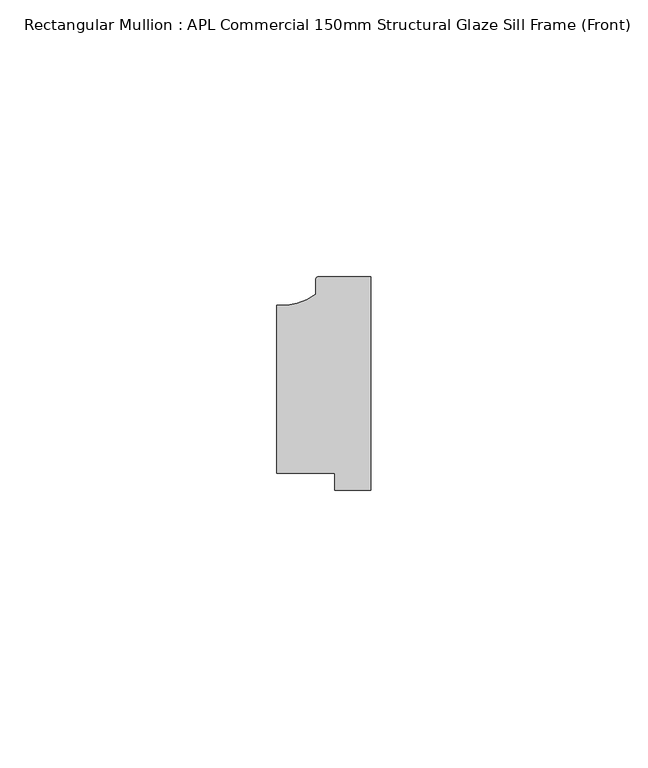
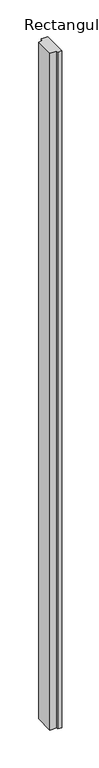
"""IFC4 building model written with IfcOpenShell, lengths in millimetres: member geometry, Rectangular Mullion : APL Commercial 150mm Structural Glaze Sill Frame (Front)."""

import ifcopenshell
import ifcopenshell.guid

model = None  # the IFC model being written
_history = None  # IfcOwnerHistory: only IFC2X3 demands one
_inside = {}  # id of a spatial element -> (the spatial element, [elements in it])
_under = {}  # id of a project, library or spatial element -> (it, [spatial elements below it])
_declared = {}  # id of a project -> (the project, [libraries it declares])
_typed = {}  # id of a type object -> (the type object, [elements of that type])
_made_of = {}  # id of a material, layer set ... -> (it, [elements and type objects made of it])


def new_model(schema):
    """Start an empty IFC model of exactly this schema.

    Asked for "IFC4X3", IfcOpenShell would pick the latest addendum, in which some entities
    have other attributes; the version numbers below select the first issue.
    IFC2X3 requires an IfcOwnerHistory on every rooted entity: one is made here for all.
    """
    global model, _history
    if schema == "IFC4X3":
        model = ifcopenshell.file(schema_version=(4, 3, 0, 0))
    else:
        model = ifcopenshell.file(schema=schema)
    _inside.clear()
    _under.clear()
    _declared.clear()
    _typed.clear()
    _made_of.clear()
    _history = None
    if model.schema == "IFC2X3":
        org = make("IfcOrganization", Name="unknown")
        user = make(
            "IfcPersonAndOrganization",
            ThePerson=make("IfcPerson", FamilyName="unknown"),
            TheOrganization=org,
        )
        app = make(
            "IfcApplication",
            ApplicationDeveloper=org,
            Version="unknown",
            ApplicationFullName="unknown",
            ApplicationIdentifier="unknown",
        )
        _history = make(
            "IfcOwnerHistory",
            OwningUser=user,
            OwningApplication=app,
            ChangeAction="ADDED",
            CreationDate=0,
        )
    return model


def make(cls, **values):
    """One entity of the class cls with the attributes given. An attribute that is None is left unset."""
    return model.create_entity(
        cls, **{name: value for name, value in values.items() if value is not None}
    )


def rooted(cls, **values):
    """An entity with a GlobalId (a new one), such as an element, a storey or a relation."""
    return make(cls, GlobalId=ifcopenshell.guid.new(), OwnerHistory=_history, **values)


def si_unit(unit_type, name, prefix=None):
    """IfcSIUnit, for example si_unit("LENGTHUNIT", "METRE", prefix="MILLI")."""
    return make("IfcSIUnit", UnitType=unit_type, Prefix=prefix, Name=name)


def assignment(units):
    """IfcUnitAssignment: the units of a project."""
    return None if units is None else make("IfcUnitAssignment", Units=units)


def point(xyz):
    """IfcCartesianPoint."""
    return None if xyz is None else make("IfcCartesianPoint", Coordinates=xyz)


def direction(xyz):
    """IfcDirection."""
    return None if xyz is None else make("IfcDirection", DirectionRatios=xyz)


def frame(location, z_axis=None, x_axis=None):
    """IfcAxis2Placement3D, a coordinate frame: its origin and axes. An axis left out is left unset."""
    return make(
        "IfcAxis2Placement3D",
        Location=point(location),
        Axis=direction(z_axis),
        RefDirection=direction(x_axis),
    )


def frame_2d(location, x_axis=None):
    """IfcAxis2Placement2D, a coordinate frame in the plane: its origin and x axis."""
    return make(
        "IfcAxis2Placement2D", Location=point(location), RefDirection=direction(x_axis)
    )


def origin():
    """The frame at (0, 0, 0) with its axes left unset."""
    return frame((0.0, 0.0, 0.0))


def place(relative_to, where):
    """IfcLocalPlacement: puts the frame where relative to a parent placement (None: the world)."""
    return make(
        "IfcLocalPlacement", PlacementRelTo=relative_to, RelativePlacement=where
    )


def context(
    kind, dimensions, precision=None, world=None, true_north=None, identifier=None
):
    """IfcGeometricRepresentationContext, for example the 3D "Model" context."""
    return make(
        "IfcGeometricRepresentationContext",
        ContextIdentifier=identifier,
        ContextType=kind,
        CoordinateSpaceDimension=dimensions,
        Precision=precision,
        WorldCoordinateSystem=world,
        TrueNorth=true_north,
    )


def project(units=None, contexts=None):
    """IfcProject with its units and contexts."""
    return rooted(
        "IfcProject",
        Name="project",
        RepresentationContexts=contexts,
        UnitsInContext=assignment(units),
    )


def spatial(cls, under=None, at=None, **own):
    """A site, building, storey or space (cls), placed at a placement, below another one or the project."""
    s = rooted(cls, ObjectPlacement=at, **own)
    if under is not None:
        _under.setdefault(under.id(), (under, []))[1].append(s)
    return s


def polyline(points):
    """IfcPolyline through the points."""
    return make("IfcPolyline", Points=[point(p) for p in points])


def circle_curve(where, radius):
    """IfcCircle in the frame where."""
    return make("IfcCircle", Position=where, Radius=radius)


def trimmed(basis, trim1, trim2, sense, master):
    """IfcTrimmedCurve: the piece of a basis curve between two trims."""
    return make(
        "IfcTrimmedCurve",
        BasisCurve=basis,
        Trim1=trim1,
        Trim2=trim2,
        SenseAgreement=sense,
        MasterRepresentation=master,
    )


def segment(curve, same_sense, transition):
    """IfcCompositeCurveSegment."""
    return make(
        "IfcCompositeCurveSegment",
        Transition=transition,
        SameSense=same_sense,
        ParentCurve=curve,
    )


def composite_curve(segments, self_intersect=None):
    """IfcCompositeCurve: segments joined end to end."""
    return make("IfcCompositeCurve", Segments=segments, SelfIntersect=self_intersect)


def outline(outer, holes=None, kind="AREA"):
    """IfcArbitraryClosedProfileDef: a profile drawn as a closed curve; with holes, ...WithVoids."""
    if holes is None:
        return make("IfcArbitraryClosedProfileDef", ProfileType=kind, OuterCurve=outer)
    return make(
        "IfcArbitraryProfileDefWithVoids",
        ProfileType=kind,
        OuterCurve=outer,
        InnerCurves=holes,
    )


def extrude(swept, where, along, depth):
    """IfcExtrudedAreaSolid: the profile swept, set in the frame where, extruded along a direction by depth."""
    return make(
        "IfcExtrudedAreaSolid",
        SweptArea=swept,
        Position=where,
        ExtrudedDirection=direction(along),
        Depth=depth,
    )


def shape(context_of_items, identifier, shape_type, items):
    """IfcShapeRepresentation: the items that make up one representation, for example the "Body"."""
    return make(
        "IfcShapeRepresentation",
        ContextOfItems=context_of_items,
        RepresentationIdentifier=identifier,
        RepresentationType=shape_type,
        Items=items,
    )


def source(mapping_origin, context_of_items, identifier, shape_type, items):
    """IfcRepresentationMap: a shape defined once, which mapped items show again and again."""
    return make(
        "IfcRepresentationMap",
        MappingOrigin=mapping_origin,
        MappedRepresentation=shape(context_of_items, identifier, shape_type, items),
    )


def transform(
    local_origin,
    x_axis=None,
    y_axis=None,
    z_axis=None,
    scale=None,
    scale2=None,
    scale3=None,
    uniform=True,
):
    """IfcCartesianTransformationOperator3D, or its non-uniform kind. x_axis, y_axis, z_axis: its Axis1, 2, 3."""
    if uniform:
        return make(
            "IfcCartesianTransformationOperator3D",
            Axis1=direction(x_axis),
            Axis2=direction(y_axis),
            LocalOrigin=point(local_origin),
            Scale=scale,
            Axis3=direction(z_axis),
        )
    return make(
        "IfcCartesianTransformationOperator3DnonUniform",
        Axis1=direction(x_axis),
        Axis2=direction(y_axis),
        LocalOrigin=point(local_origin),
        Scale=scale,
        Axis3=direction(z_axis),
        Scale2=scale2,
        Scale3=scale3,
    )


def mapped(mapping_source, mapping_target):
    """IfcMappedItem: shows the shape of a source again, moved by a transform."""
    return make(
        "IfcMappedItem", MappingSource=mapping_source, MappingTarget=mapping_target
    )


def made_of(thing, what):
    """Note that an element or type object is made of a material, layer set ...; save() writes the relation."""
    if what is not None:
        _made_of.setdefault(what.id(), (what, []))[1].append(thing)
    return thing


def element(
    cls,
    number,
    at=None,
    inside=None,
    cuts=None,
    type_object=None,
    material=None,
    context=None,
    identifier="Body",
    shape_type=None,
    held_by="IfcProductDefinitionShape",
    body=None,
    shapes=None,
    **own,
):
    """One element of the class cls, such as IfcWall. Its Tag is "e" and its number.

    at: its placement. inside: the storey or other place that contains it. cuts: it is an
    opening in that element (IfcRelVoidsElement). A single representation is given by context,
    identifier, shape_type and body (its items); several are given by shapes. held_by: the class
    of the entity that holds the representations. save() writes the other relations.
    """
    e = rooted(cls, Tag="e%d" % number, ObjectPlacement=at, **own)
    if body is not None:
        shapes = [shape(context, identifier, shape_type, body)]
    if shapes is not None:
        e.Representation = make(held_by, Representations=shapes)
    if inside is not None:
        _inside.setdefault(inside.id(), (inside, []))[1].append(e)
    if cuts is not None:
        rooted(
            "IfcRelVoidsElement", RelatingBuildingElement=cuts, RelatedOpeningElement=e
        )
    if type_object is not None:
        _typed.setdefault(type_object.id(), (type_object, []))[1].append(e)
    return made_of(e, material)


def aggregate(whole, parts):
    """IfcRelAggregates: a whole, such as a stair, and the parts it consists of."""
    return rooted("IfcRelAggregates", RelatingObject=whole, RelatedObjects=parts)


def save(model, path):
    """Write the relations noted so far, then the file.

    IfcRelAggregates (storeys below a building ...), IfcRelContainedInSpatialStructure (elements
    in a storey), IfcRelDefinesByType, IfcRelAssociatesMaterial and IfcRelDeclares: one each for
    every whole, place, type object, material and project.
    """
    for whole, parts in _under.values():
        aggregate(whole, parts)
    for where, things in _inside.values():
        rooted(
            "IfcRelContainedInSpatialStructure",
            RelatedElements=things,
            RelatingStructure=where,
        )
    for kind, things in _typed.values():
        rooted("IfcRelDefinesByType", RelatedObjects=things, RelatingType=kind)
    for what, things in _made_of.values():
        rooted("IfcRelAssociatesMaterial", RelatedObjects=things, RelatingMaterial=what)
    for by, libraries in _declared.values():
        rooted("IfcRelDeclares", RelatingContext=by, RelatedDefinitions=libraries)
    model.write(path)


def rectangular_mullion_apl_commercial_150mm_structural_glaze_9d4f0c78(model_context):
    return source(origin(), model_context, "Body", "SweptSolid", [
        extrude(outline(composite_curve([segment(trimmed(circle_curve(frame_2d((-16.1098048, 25.7977481)), 10.4563907), [point((-16.999942, 15.3793144))], [point((-10.0, 17.3120901))], True, "CARTESIAN"), True, "CONTINUOUS"), segment(polyline([(-10.0, 17.3120901), (-10.0, 19.9980675)]), True, "CONTINUOUS"), segment(trimmed(circle_curve(frame_2d((-9.5000029, 19.99978)), 0.5), [point((-10.0, 19.9980675))], [point((-9.5000029, 20.49978))], False, "CARTESIAN"), True, "CONTINUOUS"), segment(polyline([(-9.5000029, 20.49978), (0.0, 20.49978), (0.0, -18.0281616), (-6.5000029, -18.0281616), (-6.5000029, -15.0004332), (-16.999942, -15.0004332), (-16.999942, 15.3793144)]), True, "CONTINUOUS")], self_intersect=False)), frame((0.0, 0.0, -1121.6386747), z_axis=(0.0, 0.0, 1.0), x_axis=(1.0, 0.0, 0.0)), (0.0, 0.0, 1.0), 1121.6386747),
    ])


if __name__ == "__main__":
    model = new_model("IFC4")
    model_context = context("Model", 3, world=origin())
    ifc_project = project(units=[si_unit("LENGTHUNIT", "METRE", prefix="MILLI")], contexts=[model_context])
    site = spatial("IfcSite", under=ifc_project)
    building = spatial("IfcBuilding", under=site)
    placement = place(None, origin())
    rectangular_mullion_apl_commercial_150mm_structural_glaze_shape = rectangular_mullion_apl_commercial_150mm_structural_glaze_9d4f0c78(model_context)
    element("IfcMember", 1, ObjectType="Rectangular Mullion : APL Commercial 150mm Structural Glaze Sill Frame (Front)", at=placement, inside=building, context=model_context, shape_type="MappedRepresentation", body=[
        mapped(rectangular_mullion_apl_commercial_150mm_structural_glaze_shape, transform((0.0, 0.0, 0.0), x_axis=(1.0, 0.0, 0.0), y_axis=(0.0, 1.0, 0.0), z_axis=(0.0, 0.0, 1.0))),
    ])
    save(model, "model.ifc")
